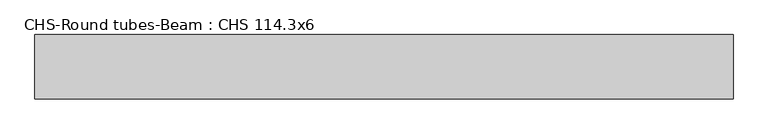
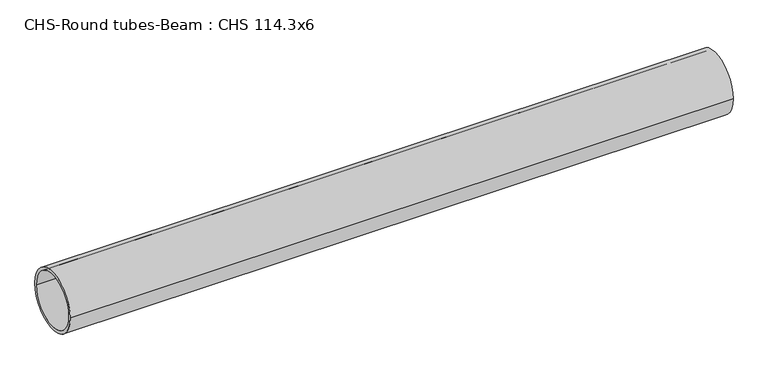
"""IFC4 building model written with IfcOpenShell, lengths in millimetres: beam geometry, CHS-Round tubes-Beam : CHS 114.3x6."""

from ifc_helpers import new_model, si_unit, point, frame, origin, origin_2d, place, context, project, spatial, circle_curve, trimmed, segment, composite_curve, outline, extrude, source, transform, mapped, element, save


def chs_round_tubes_beam_chs_114_3x6_32104a38(model_context):
    return source(origin(), model_context, "Body", "SweptSolid", [
        extrude(outline(composite_curve([segment(trimmed(circle_curve(origin_2d(), 57.15), [point((57.15, 0.0))], [point((-57.15, 0.0))], False, "CARTESIAN"), True, "CONTINUOUS"), segment(trimmed(circle_curve(origin_2d(), 57.15), [point((-57.15, 0.0))], [point((57.15, 0.0))], False, "CARTESIAN"), True, "CONTINUOUS")], self_intersect=False), holes=[composite_curve([segment(trimmed(circle_curve(origin_2d(), 51.15), [point((51.15, 0.0))], [point((-51.15, 0.0))], True, "CARTESIAN"), True, "CONTINUOUS"), segment(trimmed(circle_curve(origin_2d(), 51.15), [point((-51.15, 0.0))], [point((51.15, 0.0))], True, "CARTESIAN"), True, "CONTINUOUS")], self_intersect=False)]), frame((-619.3161387, 0.0, 0.0), z_axis=(1.0, 0.0, 0.0), x_axis=(0.0, 1.0, 0.0)), (0.0, 0.0, 1.0), 1238.7173687),
    ])


if __name__ == "__main__":
    model = new_model("IFC4")
    model_context = context("Model", 3, world=origin())
    ifc_project = project(units=[si_unit("LENGTHUNIT", "METRE", prefix="MILLI")], contexts=[model_context])
    site = spatial("IfcSite", under=ifc_project)
    building = spatial("IfcBuilding", under=site)
    placement = place(None, origin())
    chs_round_tubes_beam_chs_114_3x6_shape = chs_round_tubes_beam_chs_114_3x6_32104a38(model_context)
    element("IfcBeam", 1, ObjectType="CHS-Round tubes-Beam : CHS 114.3x6", at=placement, inside=building, context=model_context, shape_type="MappedRepresentation", body=[
        mapped(chs_round_tubes_beam_chs_114_3x6_shape, transform((0.0, 0.0, 0.0), x_axis=(1.0, 0.0, 0.0), y_axis=(0.0, 1.0, 0.0), z_axis=(0.0, 0.0, 1.0))),
    ])
    save(model, "model.ifc")
